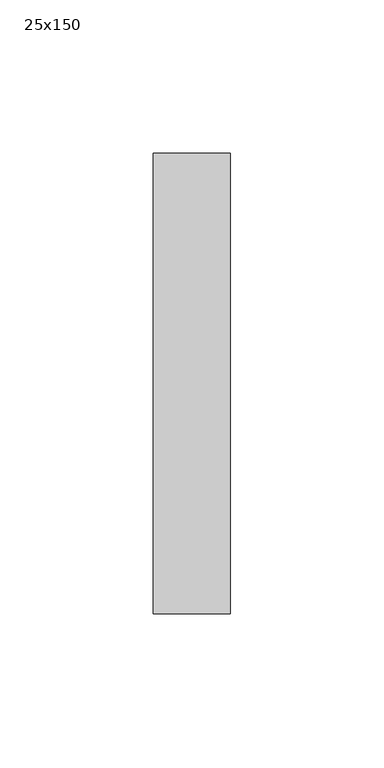
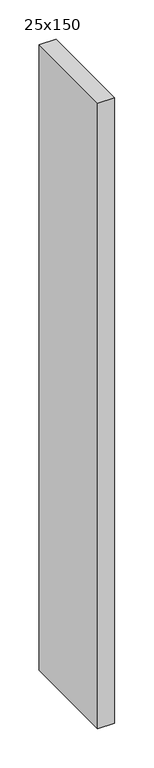
"""IFC4 building model written with IfcOpenShell, lengths in millimetres: member geometry, 25x150."""

from ifc_helpers import new_model, si_unit, frame, origin, place, context, project, spatial, polyline, outline, extrude, source, transform, mapped, element, save


def member_25x150_6da1263c(model_context):
    return source(origin(), model_context, "Body", "SweptSolid", [
        extrude(outline(polyline([(0.0, 75.0), (0.0, -75.0), (-25.0, -75.0), (-25.0, 75.0), (0.0, 75.0)])), frame((0.0, 0.0, -975.0), z_axis=(0.0, 0.0, 1.0), x_axis=(1.0, 0.0, 0.0)), (0.0, 0.0, 1.0), 975.0),
    ])


if __name__ == "__main__":
    model = new_model("IFC4")
    model_context = context("Model", 3, world=origin())
    ifc_project = project(units=[si_unit("LENGTHUNIT", "METRE", prefix="MILLI")], contexts=[model_context])
    site = spatial("IfcSite", under=ifc_project)
    building = spatial("IfcBuilding", under=site)
    placement = place(None, origin())
    member_25x150_shape = member_25x150_6da1263c(model_context)
    element("IfcMember", 1, ObjectType="25x150", at=placement, inside=building, context=model_context, shape_type="MappedRepresentation", body=[
        mapped(member_25x150_shape, transform((0.0, 0.0, 0.0), x_axis=(1.0, 0.0, 0.0), y_axis=(0.0, 1.0, 0.0), z_axis=(0.0, 0.0, 1.0))),
    ])
    save(model, "model.ifc")
